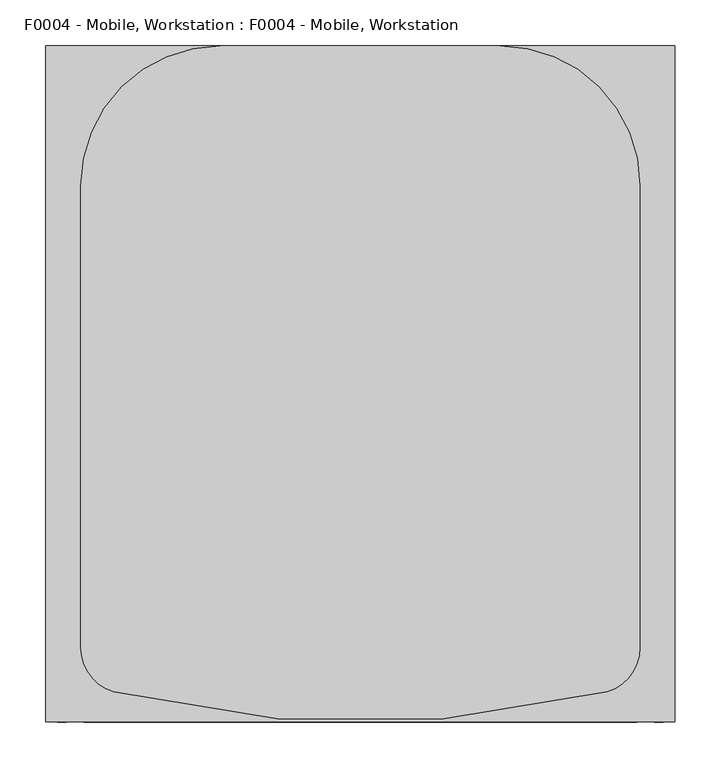
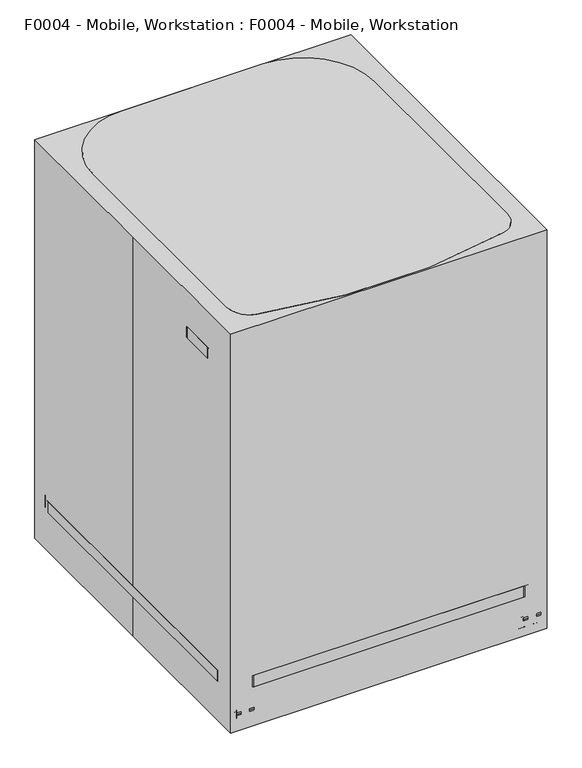
"""IFC4 building model written with IfcOpenShell, lengths in millimetres: proxy geometry, F0004 - Mobile, Workstation : F0004 - Mobile, Workstation."""

from ifc_helpers import new_model, si_unit, point, frame, frame_2d, origin, origin_with_axes, origin_2d, place, context, project, spatial, polyline, circle_curve, trimmed, segment, composite_curve, outline, extrude, source, transform, mapped, element, save


def f0004_mobile_workstation_f0004_mobile_workstation_dd4c6e67(model_context):
    return source(origin(), model_context, "Body", "SweptSolid", [
        extrude(outline(polyline([(869.95, 120.65), (889.0, 120.65), (889.0, 101.5174866), (869.95, 101.5174866), (869.95, 107.8674866), (876.3, 107.8674866), (876.3, 104.7337433), (885.807752, 104.7337433), (885.807752, 117.4337433), (876.3, 117.4337433), (876.3, 114.3), (869.95, 114.3), (869.95, 120.65)])), frame((0.0, -266.7, 0.0), z_axis=(0.0, 1.0, 0.0), x_axis=(0.0, 0.0, 1.0)), (0.0, 0.0, 1.0), 266.7),
        extrude(outline(polyline([(869.95, -120.65), (869.95, -114.3), (876.3, -114.3), (876.3, -117.4337433), (885.807752, -117.4337433), (885.807752, -104.7337433), (876.3, -104.7337433), (876.3, -107.8674866), (869.95, -107.8674866), (869.95, -101.5174866), (889.0, -101.5174866), (889.0, -120.65), (869.95, -120.65)])), frame((0.0, -266.7, 0.0), z_axis=(0.0, 1.0, 0.0), x_axis=(0.0, 0.0, 1.0)), (0.0, 0.0, 1.0), 266.7),
        extrude(outline(polyline([(881.053876, 104.7337433), (876.3, 104.7337433), (876.3, 107.8674866), (806.45, 107.8674866), (806.45, 104.7337433), (796.942248, 104.7337433), (796.942248, 117.4337433), (806.45, 117.4337433), (806.45, 114.3), (876.3, 114.3), (876.3, 117.4337433), (881.053876, 117.4337433), (881.053876, 104.7337433)])), frame((0.0, -50.8, 0.0), z_axis=(0.0, 1.0, 0.0), x_axis=(0.0, 0.0, 1.0)), (0.0, 0.0, 1.0), 22.3754162),
        extrude(outline(polyline([(117.4337433, -304.5325855), (104.7337433, -304.5325855), (104.7337433, -50.8), (117.4337433, -50.8), (117.4337433, -304.5325855)])), frame((0.0, 0.0, 796.942248), z_axis=(0.0, 0.0, 1.0), x_axis=(1.0, 0.0, 0.0)), (0.0, 0.0, 1.0), 9.507752),
        extrude(outline(polyline([(-104.7337433, -304.5325855), (-117.4337433, -304.5325855), (-117.4337433, -50.8), (-104.7337433, -50.8), (-104.7337433, -304.5325855)])), frame((0.0, 0.0, 796.942248), z_axis=(0.0, 0.0, 1.0), x_axis=(1.0, 0.0, 0.0)), (0.0, 0.0, 1.0), 9.507752),
        extrude(outline(composite_curve([segment(trimmed(circle_curve(frame_2d((190.5, -203.2)), 152.4), [point((190.5, -50.8))], [point((342.9, -203.2))], False, "CARTESIAN"), True, "CONTINUOUS"), segment(polyline([(342.9, -203.2), (342.9, -279.4)]), True, "CONTINUOUS"), segment(trimmed(circle_curve(frame_2d((266.7, -279.4)), 76.2), [point((342.9, -279.4))], [point((266.7, -355.6))], False, "CARTESIAN"), True, "CONTINUOUS"), segment(polyline([(266.7, -355.6), (-266.7, -355.6)]), True, "CONTINUOUS"), segment(trimmed(circle_curve(frame_2d((-266.7, -279.4)), 76.2), [point((-266.7, -355.6))], [point((-342.9, -279.4))], False, "CARTESIAN"), True, "CONTINUOUS"), segment(polyline([(-342.9, -279.4), (-342.9, -203.2)]), True, "CONTINUOUS"), segment(trimmed(circle_curve(frame_2d((-190.5, -203.2)), 152.4), [point((-342.9, -203.2))], [point((-190.5, -50.8))], False, "CARTESIAN"), True, "CONTINUOUS"), segment(polyline([(-190.5, -50.8), (190.5, -50.8)]), True, "CONTINUOUS")], self_intersect=False)), frame((0.0, 0.0, 806.45), z_axis=(0.0, 0.0, 1.0), x_axis=(1.0, 0.0, 0.0)), (0.0, 0.0, 1.0), 25.4),
        extrude(outline(polyline([(881.053876, -104.7337433), (881.053876, -117.4337433), (876.3, -117.4337433), (876.3, -114.3), (806.45, -114.3), (806.45, -117.4337433), (796.942248, -117.4337433), (796.942248, -104.7337433), (806.45, -104.7337433), (806.45, -107.8674866), (876.3, -107.8674866), (876.3, -104.7337433), (881.053876, -104.7337433)])), frame((0.0, -50.8, 0.0), z_axis=(0.0, 1.0, 0.0), x_axis=(0.0, 0.0, 1.0)), (0.0, 0.0, 1.0), 22.3754162),
        extrude(outline(composite_curve([segment(trimmed(circle_curve(frame_2d((-311.15, 327.1595017)), 9.525), [point((-301.625, 327.1595017))], [point((-320.675, 327.1595017))], False, "CARTESIAN"), True, "CONTINUOUS"), segment(trimmed(circle_curve(frame_2d((-311.15, 327.1595017)), 9.525), [point((-320.675, 327.1595017))], [point((-301.625, 327.1595017))], False, "CARTESIAN"), True, "CONTINUOUS")], self_intersect=False)), frame((0.0, 0.0, 38.9774203), z_axis=(0.0, 0.0, 1.0), x_axis=(1.0, 0.0, 0.0)), (0.0, 0.0, 1.0), 49.9225797),
        extrude(outline(composite_curve([segment(trimmed(circle_curve(frame_2d((330.2, 38.1)), 38.1), [point((368.3, 38.1))], [point((292.1, 38.1))], False, "CARTESIAN"), True, "CONTINUOUS"), segment(trimmed(circle_curve(frame_2d((330.2, 38.1)), 38.1), [point((292.1, 38.1))], [point((368.3, 38.1))], False, "CARTESIAN"), True, "CONTINUOUS")], self_intersect=False)), frame((-301.625, 0.0, 0.0), z_axis=(1.0, 0.0, 0.0), x_axis=(0.0, 1.0, 0.0)), (0.0, 0.0, 1.0), 9.525),
        extrude(outline(composite_curve([segment(trimmed(circle_curve(frame_2d((330.2623599, 38.1)), 19.05), [point((349.3123599, 38.1))], [point((311.2123599, 38.1))], False, "CARTESIAN"), True, "CONTINUOUS"), segment(trimmed(circle_curve(frame_2d((330.2623599, 38.1)), 19.05), [point((311.2123599, 38.1))], [point((349.3123599, 38.1))], False, "CARTESIAN"), True, "CONTINUOUS")], self_intersect=False)), frame((-320.675, 0.0, 0.0), z_axis=(1.0, 0.0, 0.0), x_axis=(0.0, 1.0, 0.0)), (0.0, 0.0, 1.0), 19.05),
        extrude(outline(composite_curve([segment(trimmed(circle_curve(frame_2d((330.2, 38.1)), 38.1), [point((368.3, 38.1))], [point((292.1, 38.1))], False, "CARTESIAN"), True, "CONTINUOUS"), segment(trimmed(circle_curve(frame_2d((330.2, 38.1)), 38.1), [point((292.1, 38.1))], [point((368.3, 38.1))], False, "CARTESIAN"), True, "CONTINUOUS")], self_intersect=False)), frame((-330.2, 0.0, 0.0), z_axis=(1.0, 0.0, 0.0), x_axis=(0.0, 1.0, 0.0)), (0.0, 0.0, 1.0), 9.525),
        extrude(outline(composite_curve([segment(trimmed(circle_curve(frame_2d((-311.15, -327.1595017)), 9.525), [point((-301.625, -327.1595017))], [point((-320.675, -327.1595017))], False, "CARTESIAN"), True, "CONTINUOUS"), segment(trimmed(circle_curve(frame_2d((-311.15, -327.1595017)), 9.525), [point((-320.675, -327.1595017))], [point((-301.625, -327.1595017))], False, "CARTESIAN"), True, "CONTINUOUS")], self_intersect=False)), frame((0.0, 0.0, 38.9774203), z_axis=(0.0, 0.0, 1.0), x_axis=(1.0, 0.0, 0.0)), (0.0, 0.0, 1.0), 49.9225797),
        extrude(outline(composite_curve([segment(trimmed(circle_curve(frame_2d((-330.2, 38.1)), 38.1), [point((-368.3, 38.1))], [point((-292.1, 38.1))], False, "CARTESIAN"), True, "CONTINUOUS"), segment(trimmed(circle_curve(frame_2d((-330.2, 38.1)), 38.1), [point((-292.1, 38.1))], [point((-368.3, 38.1))], False, "CARTESIAN"), True, "CONTINUOUS")], self_intersect=False)), frame((-301.625, 0.0, 0.0), z_axis=(1.0, 0.0, 0.0), x_axis=(0.0, 1.0, 0.0)), (0.0, 0.0, 1.0), 9.525),
        extrude(outline(composite_curve([segment(trimmed(circle_curve(frame_2d((-330.2623599, 38.1)), 19.05), [point((-349.3123599, 38.1))], [point((-311.2123599, 38.1))], False, "CARTESIAN"), True, "CONTINUOUS"), segment(trimmed(circle_curve(frame_2d((-330.2623599, 38.1)), 19.05), [point((-311.2123599, 38.1))], [point((-349.3123599, 38.1))], False, "CARTESIAN"), True, "CONTINUOUS")], self_intersect=False)), frame((-320.675, 0.0, 0.0), z_axis=(1.0, 0.0, 0.0), x_axis=(0.0, 1.0, 0.0)), (0.0, 0.0, 1.0), 19.05),
        extrude(outline(composite_curve([segment(trimmed(circle_curve(frame_2d((-330.2, 38.1)), 38.1), [point((-368.3, 38.1))], [point((-292.1, 38.1))], False, "CARTESIAN"), True, "CONTINUOUS"), segment(trimmed(circle_curve(frame_2d((-330.2, 38.1)), 38.1), [point((-292.1, 38.1))], [point((-368.3, 38.1))], False, "CARTESIAN"), True, "CONTINUOUS")], self_intersect=False)), frame((-330.2, 0.0, 0.0), z_axis=(1.0, 0.0, 0.0), x_axis=(0.0, 1.0, 0.0)), (0.0, 0.0, 1.0), 9.525),
        extrude(outline(composite_curve([segment(trimmed(circle_curve(frame_2d((311.15, 327.1595017)), 9.525), [point((301.625, 327.1595017))], [point((320.675, 327.1595017))], False, "CARTESIAN"), True, "CONTINUOUS"), segment(trimmed(circle_curve(frame_2d((311.15, 327.1595017)), 9.525), [point((320.675, 327.1595017))], [point((301.625, 327.1595017))], False, "CARTESIAN"), True, "CONTINUOUS")], self_intersect=False)), frame((0.0, 0.0, 38.9774203), z_axis=(0.0, 0.0, 1.0), x_axis=(1.0, 0.0, 0.0)), (0.0, 0.0, 1.0), 49.9225797),
        extrude(outline(composite_curve([segment(trimmed(circle_curve(frame_2d((330.2, 38.1)), 38.1), [point((368.3, 38.1))], [point((292.1, 38.1))], False, "CARTESIAN"), True, "CONTINUOUS"), segment(trimmed(circle_curve(frame_2d((330.2, 38.1)), 38.1), [point((292.1, 38.1))], [point((368.3, 38.1))], False, "CARTESIAN"), True, "CONTINUOUS")], self_intersect=False)), frame((292.1, 0.0, 0.0), z_axis=(1.0, 0.0, 0.0), x_axis=(0.0, 1.0, 0.0)), (0.0, 0.0, 1.0), 9.525),
        extrude(outline(composite_curve([segment(trimmed(circle_curve(frame_2d((330.2623599, 38.1)), 19.05), [point((349.3123599, 38.1))], [point((311.2123599, 38.1))], False, "CARTESIAN"), True, "CONTINUOUS"), segment(trimmed(circle_curve(frame_2d((330.2623599, 38.1)), 19.05), [point((311.2123599, 38.1))], [point((349.3123599, 38.1))], False, "CARTESIAN"), True, "CONTINUOUS")], self_intersect=False)), frame((301.625, 0.0, 0.0), z_axis=(1.0, 0.0, 0.0), x_axis=(0.0, 1.0, 0.0)), (0.0, 0.0, 1.0), 19.05),
        extrude(outline(composite_curve([segment(trimmed(circle_curve(frame_2d((330.2, 38.1)), 38.1), [point((368.3, 38.1))], [point((292.1, 38.1))], False, "CARTESIAN"), True, "CONTINUOUS"), segment(trimmed(circle_curve(frame_2d((330.2, 38.1)), 38.1), [point((292.1, 38.1))], [point((368.3, 38.1))], False, "CARTESIAN"), True, "CONTINUOUS")], self_intersect=False)), frame((320.675, 0.0, 0.0), z_axis=(1.0, 0.0, 0.0), x_axis=(0.0, 1.0, 0.0)), (0.0, 0.0, 1.0), 9.525),
        extrude(outline(composite_curve([segment(trimmed(circle_curve(frame_2d((311.15, -327.1595017)), 9.525), [point((301.625, -327.1595017))], [point((320.675, -327.1595017))], False, "CARTESIAN"), True, "CONTINUOUS"), segment(trimmed(circle_curve(frame_2d((311.15, -327.1595017)), 9.525), [point((320.675, -327.1595017))], [point((301.625, -327.1595017))], False, "CARTESIAN"), True, "CONTINUOUS")], self_intersect=False)), frame((0.0, 0.0, 38.9774203), z_axis=(0.0, 0.0, 1.0), x_axis=(1.0, 0.0, 0.0)), (0.0, 0.0, 1.0), 49.9225797),
        extrude(outline(composite_curve([segment(trimmed(circle_curve(frame_2d((-330.2, 38.1)), 38.1), [point((-368.3, 38.1))], [point((-292.1, 38.1))], False, "CARTESIAN"), True, "CONTINUOUS"), segment(trimmed(circle_curve(frame_2d((-330.2, 38.1)), 38.1), [point((-292.1, 38.1))], [point((-368.3, 38.1))], False, "CARTESIAN"), True, "CONTINUOUS")], self_intersect=False)), frame((292.1, 0.0, 0.0), z_axis=(1.0, 0.0, 0.0), x_axis=(0.0, 1.0, 0.0)), (0.0, 0.0, 1.0), 9.525),
        extrude(outline(composite_curve([segment(trimmed(circle_curve(frame_2d((-330.2623599, 38.1)), 19.05), [point((-349.3123599, 38.1))], [point((-311.2123599, 38.1))], False, "CARTESIAN"), True, "CONTINUOUS"), segment(trimmed(circle_curve(frame_2d((-330.2623599, 38.1)), 19.05), [point((-311.2123599, 38.1))], [point((-349.3123599, 38.1))], False, "CARTESIAN"), True, "CONTINUOUS")], self_intersect=False)), frame((301.625, 0.0, 0.0), z_axis=(1.0, 0.0, 0.0), x_axis=(0.0, 1.0, 0.0)), (0.0, 0.0, 1.0), 19.05),
        extrude(outline(composite_curve([segment(trimmed(circle_curve(frame_2d((-330.2, 38.1)), 38.1), [point((-368.3, 38.1))], [point((-292.1, 38.1))], False, "CARTESIAN"), True, "CONTINUOUS"), segment(trimmed(circle_curve(frame_2d((-330.2, 38.1)), 38.1), [point((-292.1, 38.1))], [point((-368.3, 38.1))], False, "CARTESIAN"), True, "CONTINUOUS")], self_intersect=False)), frame((320.675, 0.0, 0.0), z_axis=(1.0, 0.0, 0.0), x_axis=(0.0, 1.0, 0.0)), (0.0, 0.0, 1.0), 9.525),
        extrude(outline(composite_curve([segment(trimmed(circle_curve(frame_2d((292.1, 317.5)), 50.8), [point((292.1, 368.3))], [point((342.9, 317.5))], False, "CARTESIAN"), True, "CONTINUOUS"), segment(polyline([(342.9, 317.5), (342.9, -317.5)]), True, "CONTINUOUS"), segment(trimmed(circle_curve(frame_2d((292.1, -317.5)), 50.8), [point((342.9, -317.5))], [point((292.1, -368.3))], False, "CARTESIAN"), True, "CONTINUOUS"), segment(polyline([(292.1, -368.3), (-292.1, -368.3)]), True, "CONTINUOUS"), segment(trimmed(circle_curve(frame_2d((-292.1, -317.5)), 50.8), [point((-292.1, -368.3))], [point((-342.9, -317.5))], False, "CARTESIAN"), True, "CONTINUOUS"), segment(polyline([(-342.9, -317.5), (-342.9, 317.5)]), True, "CONTINUOUS"), segment(trimmed(circle_curve(frame_2d((-292.1, 317.5)), 50.8), [point((-342.9, 317.5))], [point((-292.1, 368.3))], False, "CARTESIAN"), True, "CONTINUOUS"), segment(polyline([(-292.1, 368.3), (292.1, 368.3)]), True, "CONTINUOUS")], self_intersect=False)), frame((0.0, 0.0, 88.9), z_axis=(0.0, 0.0, 1.0), x_axis=(1.0, 0.0, 0.0)), (0.0, 0.0, 1.0), 25.4),
        extrude(outline(composite_curve([segment(trimmed(circle_curve(origin_2d(), 31.75), [point((-31.75, 0.0))], [point((31.75, 0.0))], False, "CARTESIAN"), True, "CONTINUOUS"), segment(trimmed(circle_curve(origin_2d(), 31.75), [point((31.75, 0.0))], [point((-31.75, 0.0))], False, "CARTESIAN"), True, "CONTINUOUS")], self_intersect=False)), frame((0.0, 0.0, 609.6), z_axis=(0.0, 0.0, 1.0), x_axis=(1.0, 0.0, 0.0)), (0.0, 0.0, 1.0), 279.4),
        extrude(outline(composite_curve([segment(trimmed(circle_curve(origin_2d(), 50.8), [point((-50.8, 0.0))], [point((50.8, 0.0))], False, "CARTESIAN"), True, "CONTINUOUS"), segment(trimmed(circle_curve(origin_2d(), 50.8), [point((50.8, 0.0))], [point((-50.8, 0.0))], False, "CARTESIAN"), True, "CONTINUOUS")], self_intersect=False)), frame((0.0, 0.0, 114.3), z_axis=(0.0, 0.0, 1.0), x_axis=(1.0, 0.0, 0.0)), (0.0, 0.0, 1.0), 495.3),
        extrude(outline(composite_curve([segment(trimmed(circle_curve(frame_2d((152.4, 215.9)), 152.4), [point((152.4, 368.3))], [point((304.8, 215.9))], False, "CARTESIAN"), True, "CONTINUOUS"), segment(polyline([(304.8, 215.9), (304.8, -286.907466)]), True, "CONTINUOUS"), segment(trimmed(circle_curve(frame_2d((254.0, -286.907466)), 50.8), [point((304.8, -286.907466))], [point((268.8356477, -335.4928913))], False, "CARTESIAN"), True, "CONTINUOUS"), segment(trimmed(circle_curve(frame_2d((0.0, 749.5813806)), 1117.8813806), [point((268.8356477, -335.4928913))], [point((-268.8356477, -335.4928913))], False, "CARTESIAN"), True, "CONTINUOUS"), segment(trimmed(circle_curve(frame_2d((-254.0, -286.907466)), 50.8), [point((-268.8356477, -335.4928913))], [point((-304.8, -286.907466))], False, "CARTESIAN"), True, "CONTINUOUS"), segment(polyline([(-304.8, -286.907466), (-304.8, 215.9)]), True, "CONTINUOUS"), segment(trimmed(circle_curve(frame_2d((-152.4, 215.9)), 152.4), [point((-304.8, 215.9))], [point((-152.4, 368.3))], False, "CARTESIAN"), True, "CONTINUOUS"), segment(polyline([(-152.4, 368.3), (152.4, 368.3)]), True, "CONTINUOUS")], self_intersect=False)), frame((0.0, 0.0, 889.0), z_axis=(0.0, 0.0, 1.0), x_axis=(1.0, 0.0, 0.0)), (0.0, 0.0, 1.0), 25.4),
        extrude(outline(polyline([(-342.9, 368.3), (342.9, 368.3), (342.9, -368.3), (-342.9, -368.3), (-342.9, 0.0), (-342.9, 368.3)])), origin_with_axes(), (0.0, 0.0, 1.0), 914.4),
    ])


if __name__ == "__main__":
    model = new_model("IFC4")
    model_context = context("Model", 3, world=origin())
    ifc_project = project(units=[si_unit("LENGTHUNIT", "METRE", prefix="MILLI")], contexts=[model_context])
    site = spatial("IfcSite", under=ifc_project)
    building = spatial("IfcBuilding", under=site)
    placement = place(None, origin())
    f0004_mobile_workstation_f0004_mobile_workstation_shape = f0004_mobile_workstation_f0004_mobile_workstation_dd4c6e67(model_context)
    element("IfcBuildingElementProxy", 1, Name="F0004 - Mobile, Workstation : F0004 - Mobile, Workstation", ObjectType="F0004 - Mobile, Workstation : F0004 - Mobile, Workstation", at=placement, inside=building, context=model_context, shape_type="MappedRepresentation", body=[
        mapped(f0004_mobile_workstation_f0004_mobile_workstation_shape, transform((0.0, 0.0, 0.0), x_axis=(1.0, 0.0, 0.0), y_axis=(0.0, 1.0, 0.0), z_axis=(0.0, 0.0, 1.0))),
    ])
    save(model, "model.ifc")
